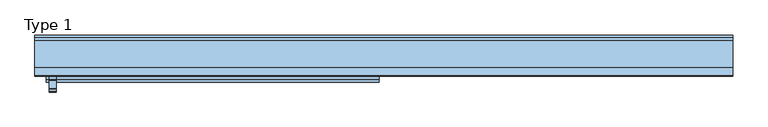
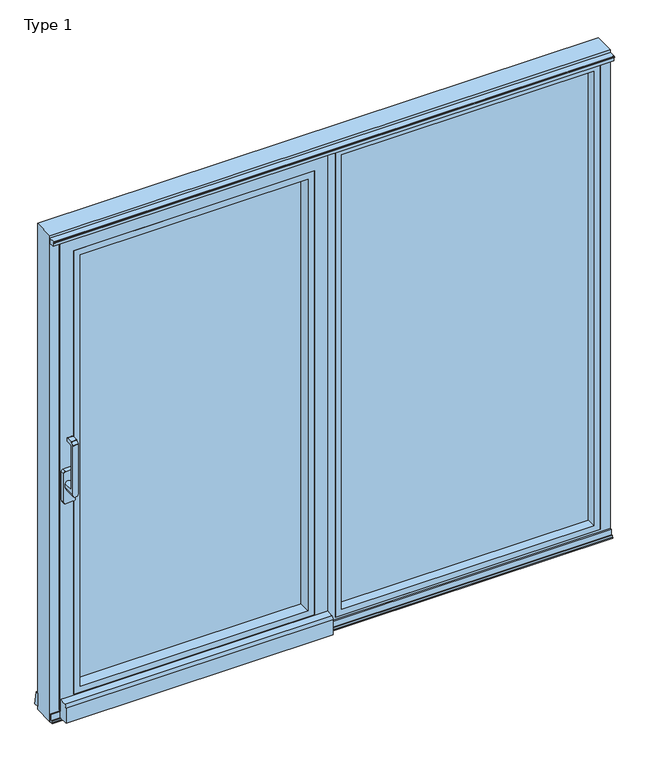
"""IFC4 building model written with IfcOpenShell, lengths in millimetres: window geometry, Type 1."""

from ifc_helpers import new_model, si_unit, point, frame, frame_2d, origin, place, context, project, spatial, polyline, circle_curve, trimmed, segment, composite_curve, outline, extrude, faceted_brep, source, transform, mapped, element, save
from ifc_brep_helpers import plane_surface, cylinder_surface, revolved_surface, advanced_brep


def type_1_799e64b0(model_context):
    return source(origin(), model_context, "Body", "SolidModel", [
        advanced_brep(
        [(-1141.5, -24.481016, 1279.4856576), (-1141.5, -24.481016, 1060.0), (-1117.5, -24.481016, 1060.0), (-1117.5, -24.481016, 1279.4856576), (-1141.5, 31.000412, 1060.0), (-1141.5, 31.000412, 1076.0), (-1117.5, 31.000412, 1076.0), (-1117.5, 31.000412, 1060.0), (-1117.5, -12.481016, 1269.8990577), (-1117.5, -12.481016, 1076.0), (-1141.5, -12.481016, 1076.0), (-1141.5, -12.481016, 1269.8990577), (-1141.5, -5.130356, 1277.2497177), (-1117.5, -5.130356, 1277.2497177), (-1141.5, 15.518984, 1277.2497177), (-1117.5, 15.518984, 1277.2497177), (-1141.5, 17.518984, 1279.2497177), (-1117.5, 17.518984, 1279.2497177), (-1141.5, 17.518984, 1290.2497177), (-1117.5, 17.518984, 1290.2497177), (-1141.5, 15.518984, 1292.2497177), (-1117.5, 15.518984, 1292.2497177), (-1141.5, -11.7169559, 1292.2497177), (-1117.5, -11.7169559, 1292.2497177), (-1141.5, -13.1311695, 1291.6639313), (-1117.5, -13.1311695, 1291.6639313), (-1141.5, -23.8952296, 1280.8998712), (-1117.5, -23.8952296, 1280.8998712)],
        [
            (0, 1),
            (1, 2, circle_curve(frame((-1129.5, -24.481016, 1060.0), z_axis=(0.0, -1.0, 0.0), x_axis=(-1.0000000000000004, 0.0, 0.0)), 12.0)),
            (2, 3),
            (3, 0),
            (4, 5),
            (5, 6, circle_curve(frame((-1129.5, 31.000412, 1076.0), z_axis=(0.0, 1.0, 0.0), x_axis=(-1.0000000000000004, 0.0, 0.0)), 12.0)),
            (6, 7),
            (7, 4, circle_curve(frame((-1129.5, 31.000412, 1060.0), z_axis=(0.0, 1.0, 0.0), x_axis=(-1.0000000000000004, 0.0, 0.0)), 12.0)),
            (7, 2),
            (1, 4),
            (8, 9),
            (9, 10, circle_curve(frame((-1129.5, -12.481016, 1076.0), z_axis=(0.0, -1.0, 0.0), x_axis=(-1.0000000000000004, 0.0, 0.0)), 12.0)),
            (10, 11),
            (11, 8),
            (12, 13),
            (13, 8, circle_curve(frame((-1117.5, -5.130356, 1269.8990577), z_axis=(1.0, 0.0, 0.0), x_axis=(0.0, 0.0, -1.0)), 7.35066)),
            (11, 12, circle_curve(frame((-1141.5, -5.130356, 1269.8990577), z_axis=(-1.0, 0.0, 0.0), x_axis=(0.0, 0.0, -1.0)), 7.35066)),
            (14, 15),
            (15, 13),
            (12, 14),
            (16, 17),
            (17, 15, circle_curve(frame((-1117.5, 15.518984, 1279.2497177), z_axis=(-1.0, 0.0, 0.0), x_axis=(0.0, 0.0, -1.0)), 2.0)),
            (14, 16, circle_curve(frame((-1141.5, 15.518984, 1279.2497177), z_axis=(1.0, 0.0, 0.0), x_axis=(0.0, 0.0, -1.0)), 2.0)),
            (18, 19),
            (19, 17),
            (16, 18),
            (20, 21),
            (21, 19, circle_curve(frame((-1117.5, 15.518984, 1290.2497177), z_axis=(-1.0, 0.0, 0.0), x_axis=(0.0, 0.0, -1.0)), 2.0)),
            (18, 20, circle_curve(frame((-1141.5, 15.518984, 1290.2497177), z_axis=(1.0, 0.0, 0.0), x_axis=(0.0, 0.0, -1.0)), 2.0)),
            (22, 23),
            (23, 21),
            (20, 22),
            (24, 25),
            (25, 23, circle_curve(frame((-1117.5, -11.7169559, 1290.2497177), z_axis=(-1.0, 0.0, 0.0), x_axis=(0.0, 0.0, -1.0)), 2.0)),
            (22, 24, circle_curve(frame((-1141.5, -11.7169559, 1290.2497177), z_axis=(1.0, 0.0, 0.0), x_axis=(0.0, 0.0, -1.0)), 2.0)),
            (26, 27),
            (27, 25),
            (24, 26),
            (3, 27, circle_curve(frame((-1117.5, -22.481016, 1279.4856576), z_axis=(-1.0, 0.0, 0.0), x_axis=(0.0, 0.0, -1.0)), 2.0)),
            (26, 0, circle_curve(frame((-1141.5, -22.481016, 1279.4856576), z_axis=(1.0, 0.0, 0.0), x_axis=(0.0, 0.0, -1.0)), 2.0)),
            (10, 5),
            (9, 6),
        ],
        [
            plane_surface(frame((-1141.5, -24.481016, 1078.0), z_axis=(0.0, -1.0, 0.0), x_axis=(0.0, 0.0, 1.0))),
            plane_surface(frame((-1141.5, 31.000412, 1078.0), z_axis=(0.0, 1.0, 0.0), x_axis=(0.0, 0.0, -1.0))),
            cylinder_surface(frame((-1129.5, 31.000412, 1060.0), z_axis=(0.0, -1.0000000000000004, 0.0), x_axis=(-1.0000000000000004, 0.0, 0.0)), 12.0),
            plane_surface(frame((-1141.5, -12.481016, 1060.0), z_axis=(0.0, 1.0, 0.0), x_axis=(1.0, 0.0, 0.0))),
            revolved_surface(polyline([(-1117.5, -5.130356, 1262.5483977), (-1141.5, -5.130356, 1262.5483977)]), (-1117.5, -5.130356, 1269.8990577), (1.0000000000000004, 0.0, 0.0)),
            plane_surface(frame((-1141.5, -5.130356, 1277.2497177), z_axis=(0.0, 0.0, -1.0), x_axis=(1.0, 0.0, 0.0))),
            cylinder_surface(frame((-1117.5, 15.518984, 1279.2497177), z_axis=(-1.0000000000000004, 0.0, 0.0), x_axis=(0.0, 0.0, -1.0)), 2.0),
            plane_surface(frame((-1141.5, 17.518984, 1279.2497177), z_axis=(0.0, 1.0, 0.0), x_axis=(1.0, 0.0, 0.0))),
            cylinder_surface(frame((-1117.5, 15.518984, 1290.2497177), z_axis=(-1.0000000000000004, 0.0, 0.0), x_axis=(0.0, 0.0, -1.0)), 2.0),
            plane_surface(frame((-1141.5, 15.518984, 1292.2497177), z_axis=(0.0, 0.0, 1.0), x_axis=(1.0, 0.0, 0.0))),
            cylinder_surface(frame((-1117.5, -11.7169559, 1290.2497177), z_axis=(-1.0000000000000004, 0.0, 0.0), x_axis=(0.0, 0.0, -1.0)), 2.0),
            plane_surface(frame((-1141.5, -13.1311695, 1291.6639313), z_axis=(0.0, -0.7071067811865431, 0.7071067811865518), x_axis=(1.0, 0.0, 0.0))),
            cylinder_surface(frame((-1117.5, -22.481016, 1279.4856576), z_axis=(-1.0000000000000004, 0.0, 0.0), x_axis=(0.0, 0.0, -1.0)), 2.0),
            plane_surface(frame((-1141.5, -24.481016, 1060.0), z_axis=(-1.0, 0.0, 0.0), x_axis=(0.0, 1.0, 0.0))),
            cylinder_surface(frame((-1129.5, 31.000412, 1076.0), z_axis=(0.0, -1.0000000000000004, 0.0), x_axis=(-1.0000000000000004, 0.0, 0.0)), 12.0),
            plane_surface(frame((-1117.5, -24.481016, 1076.0), z_axis=(1.0, 0.0, 0.0), x_axis=(0.0, 1.0, 0.0))),
        ],
        [
            (0, [[1, 2, 3, 4]]),
            (1, [[5, 6, 7, 8]]),
            (2, [[-8, 9, -2, 10]]),
            (3, [[11, 12, 13, 14]]),
            (4, [[15, 16, -14, 17]]),
            (5, [[18, 19, -15, 20]]),
            (6, [[21, 22, -18, 23]]),
            (7, [[24, 25, -21, 26]]),
            (8, [[27, 28, -24, 29]]),
            (9, [[30, 31, -27, 32]]),
            (10, [[33, 34, -30, 35]]),
            (11, [[36, 37, -33, 38]]),
            (12, [[-4, 39, -36, 40]]),
            (13, [[-40, -38, -35, -32, -29, -26, -23, -20, -17, -13, 41, -5, -10, -1]]),
            (14, [[-41, -12, 42, -6]]),
            (15, [[-9, -7, -42, -11, -16, -19, -22, -25, -28, -31, -34, -37, -39, -3]]),
        ],
    ),
        extrude(outline(composite_curve([segment(trimmed(circle_curve(frame_2d((1124.8499908, -1140.4500122)), 7.0), [point((1131.8499908, -1140.4500122))], [point((1124.8499908, -1147.4500122))], False, "CARTESIAN"), True, "CONTINUOUS"), segment(polyline([(1124.8499908, -1147.4500122), (995.1500092, -1147.4500122)]), True, "CONTINUOUS"), segment(trimmed(circle_curve(frame_2d((995.1500092, -1140.4500122)), 7.0), [point((995.1500092, -1147.4500122))], [point((988.1500092, -1140.4500122))], False, "CARTESIAN"), True, "CONTINUOUS"), segment(polyline([(988.1500092, -1140.4500122), (988.1500092, -1106.5499878)]), True, "CONTINUOUS"), segment(trimmed(circle_curve(frame_2d((995.1500092, -1106.5499878)), 7.0), [point((988.1500092, -1106.5499878))], [point((995.1500092, -1099.5499878))], False, "CARTESIAN"), True, "CONTINUOUS"), segment(polyline([(995.1500092, -1099.5499878), (1124.8499908, -1099.5499878)]), True, "CONTINUOUS"), segment(trimmed(circle_curve(frame_2d((1124.8499908, -1106.5499878)), 7.0), [point((1124.8499908, -1099.5499878))], [point((1131.8499908, -1106.5499878))], False, "CARTESIAN"), True, "CONTINUOUS"), segment(polyline([(1131.8499908, -1106.5499878), (1131.8499908, -1140.4500122)]), True, "CONTINUOUS")], self_intersect=False)), frame((0.0, 31.000412, 0.0), z_axis=(0.0, 1.0, 0.0), x_axis=(0.0, 0.0, 1.0)), (0.0, 0.0, 1.0), 18.9999542),
        extrude(outline(polyline([(2095.0004272, -72.9995728), (2095.0004272, -1095.0004272), (104.9995728, -1095.0004272), (104.9995728, -72.9995728), (2095.0004272, -72.9995728)]), holes=[polyline([(131.9995728, -99.9995728), (131.9995728, -1068.0004272), (2068.0004272, -1068.0004272), (2068.0004272, -99.9995728), (131.9995728, -99.9995728)])]), frame((0.0, 50.0003662, 0.0), z_axis=(0.0, 1.0, 0.0), x_axis=(0.0, 0.0, 1.0)), (0.0, 0.0, 1.0), 50.9995338),
        extrude(outline(polyline([(-80.999939, 101.0004798), (-1087.000061, 101.0004798), (-1087.000061, 139.0004798), (-80.999939, 139.0004798), (-80.999939, 101.0004798)])), frame((0.0, 0.0, 112.999939), z_axis=(0.0, 0.0, 1.0), x_axis=(1.0, 0.0, 0.0)), (0.0, 0.0, 1.0), 1974.0001221),
        faceted_brep([(-1095.0004272, 101.0004798, 2095.0004272), (-1095.0004272, 50.0003662, 2095.0004272), (-1095.0004272, 50.0003662, 104.9995728), (-1095.0004272, 101.0004798, 104.9995728), (-1151.0004272, 50.0003662, 48.9995728), (-16.9995728, 50.0003662, 48.9995728), (-16.9995728, 50.0003662, 2151.0004272), (-1151.0004272, 50.0003662, 2151.0004272), (-72.9995728, 50.0003662, 2095.0004272), (-72.9995728, 50.0003662, 104.9995728), (-72.9995728, 101.0004798, 104.9995728), (-72.9995728, 101.0004798, 2095.0004272), (-1087.000061, 101.0004798, 2087.000061), (-80.999939, 101.0004798, 2087.000061), (-80.999939, 101.0004798, 112.999939), (-1087.000061, 101.0004798, 112.999939), (-1087.000061, 139.0004798, 2087.000061), (-1087.000061, 139.0004798, 112.999939), (-80.999939, 139.0004798, 112.999939), (-80.999939, 139.0004798, 2087.000061), (-1073.0004272, 139.0004798, 2073.0004272), (-94.9995728, 139.0004798, 2073.0004272), (-94.9995728, 139.0004798, 126.9995728), (-1073.0004272, 139.0004798, 126.9995728), (-1073.0004272, 150.0008469, 2073.0004272), (-1073.0004272, 150.0008469, 126.9995728), (-94.9995728, 150.0008469, 126.9995728), (-1109.001666, 150.0008469, 2109.001666), (-58.998334, 150.0008469, 2109.001666), (-58.998334, 150.0008469, 90.998334), (-1109.001666, 150.0008469, 90.998334), (-94.9995728, 150.0008469, 2073.0004272), (-1109.001666, 145.0008469, 90.998334), (-58.998334, 145.0008469, 90.998334), (-58.998334, 145.0008469, 2109.001666), (-1131.0004272, 145.0008469, 2131.0004272), (-36.9995728, 145.0008469, 2131.0004272), (-36.9995728, 145.0008469, 68.9995728), (-1131.0004272, 145.0008469, 68.9995728), (-1109.001666, 145.0008469, 2109.001666), (-1131.0004272, 60.0, 68.9995728), (-36.9995728, 60.0, 68.9995728), (-36.9995728, 60.0, 2131.0004272), (-1151.0004272, 60.0, 2151.0004272), (-16.9995728, 60.0, 2151.0004272), (-16.9995728, 60.0, 48.9995728), (-1151.0004272, 60.0, 48.9995728), (-1131.0004272, 60.0, 2131.0004272)], [[[0, 1, 2, 3]], [[4, 5, 6, 7], [1, 8, 9, 2]], [[3, 2, 9, 10]], [[3, 10, 11, 0], [12, 13, 14, 15]], [[16, 12, 15, 17]], [[17, 15, 14, 18]], [[17, 18, 19, 16], [20, 21, 22, 23]], [[24, 20, 23, 25]], [[25, 23, 22, 26]], [[27, 28, 29, 30], [25, 26, 31, 24]], [[10, 9, 8, 11]], [[18, 14, 13, 19]], [[26, 22, 21, 31]], [[32, 30, 29, 33]], [[33, 29, 28, 34]], [[35, 36, 37, 38], [32, 33, 34, 39]], [[40, 38, 37, 41]], [[41, 37, 36, 42]], [[43, 44, 45, 46], [40, 41, 42, 47]], [[4, 46, 45, 5]], [[5, 45, 44, 6]], [[11, 8, 1, 0]], [[19, 13, 12, 16]], [[31, 21, 20, 24]], [[34, 28, 27, 39]], [[42, 36, 35, 47]], [[6, 44, 43, 7]], [[39, 27, 30, 32]], [[47, 35, 38, 40]], [[7, 43, 46, 4]]]),
        extrude(outline(composite_curve([segment(polyline([(19.7435257, 99.4362874), (50.0003662, 102.0834169), (50.0003662, 19.2739514), (9.1103627, 19.2739514), (9.1103627, 87.8322266)]), True, "CONTINUOUS"), segment(trimmed(circle_curve(frame_2d((20.7587491, 87.8322266)), 11.6483864), [point((9.1103627, 87.8322266))], [point((19.7435257, 99.4362874))], False, "CARTESIAN"), True, "CONTINUOUS")], self_intersect=False)), frame((-1151.0004272, 0.0, 0.0), z_axis=(1.0, 0.0, 0.0), x_axis=(0.0, 1.0, 0.0)), (0.0, 0.0, 1.0), 1134.0008545),
        extrude(outline(composite_curve([segment(polyline([(60.0, 2178.0006641), (60.0, 2156.1025501), (35.217534, 2156.1025501), (35.217534, 2174.4849831)]), True, "CONTINUOUS"), segment(trimmed(circle_curve(frame_2d((33.1686587, 2174.4849831)), 2.0488753), [point((35.217534, 2174.4849831))], [point((32.1440644, 2176.2592708))], True, "CARTESIAN"), True, "CONTINUOUS"), segment(polyline([(32.1440644, 2176.2592708), (29.6454751, 2174.8164155)]), True, "CONTINUOUS"), segment(trimmed(circle_curve(frame_2d((29.2454173, 2175.5091948)), 0.7999934), [point((29.6454751, 2174.8164155))], [point((28.845455, 2176.2020294))], False, "CARTESIAN"), True, "CONTINUOUS"), segment(polyline([(28.845455, 2176.2020294), (31.3786793, 2177.664419)]), True, "CONTINUOUS"), segment(trimmed(circle_curve(frame_2d((32.633688, 2175.4904304)), 2.5102337), [point((31.3786793, 2177.664419))], [point((32.633688, 2178.0006641))], False, "CARTESIAN"), True, "CONTINUOUS"), segment(polyline([(32.633688, 2178.0006641), (60.0, 2178.0006641)]), True, "CONTINUOUS")], self_intersect=False)), frame((-1190.0, 0.0, 0.0), z_axis=(1.0, 0.0, 0.0), x_axis=(0.0, 1.0, 0.0)), (0.0, 0.0, 1.0), 2380.0),
        extrude(outline(polyline([(159.9992924, 83.9604061), (169.9989353, 23.9604061), (150.0, 23.9604061), (150.0, 83.9604061), (159.9992924, 83.9604061)])), frame((-1190.0, 0.0, 0.0), z_axis=(1.0, 0.0, 0.0), x_axis=(0.0, 1.0, 0.0)), (0.0, 0.0, 1.0), 2380.0),
        extrude(outline(polyline([(43.4998834, 13.0001167), (46.0083235, 13.0001167), (46.0083235, 20.4534802), (50.9735913, 20.4534802), (50.9735913, 13.0001167), (53.7998836, 13.0001167), (53.7998836, 44.0001167), (60.0, 44.0001167), (60.0, 10.0), (43.4998834, 10.0), (43.4998834, 13.0001167)])), frame((-1190.0, 0.0, 0.0), z_axis=(1.0, 0.0, 0.0), x_axis=(0.0, 1.0, 0.0)), (0.0, 0.0, 1.0), 2380.0),
        extrude(outline(polyline([(29.9998575, 100.9991755), (29.9998575, 138.9991755), (1138.0001425, 138.9991755), (1138.0001425, 100.9991755), (29.9998575, 100.9991755)])), frame((0.0, 0.0, 61.9998575), z_axis=(0.0, 0.0, 1.0), x_axis=(1.0, 0.0, 0.0)), (0.0, 0.0, 1.0), 2076.000285),
        extrude(outline(polyline([(53.9999924, 21.9999924), (53.9999924, 1146.0000076), (2146.0000076, 1146.0000076), (2146.0000076, 21.9999924), (53.9999924, 21.9999924)]), holes=[polyline([(80.9999924, 1119.0000076), (80.9999924, 48.9999924), (2119.0000076, 48.9999924), (2119.0000076, 1119.0000076), (80.9999924, 1119.0000076)])]), frame((0.0, 60.0, 0.0), z_axis=(0.0, 1.0, 0.0), x_axis=(0.0, 0.0, 1.0)), (0.0, 0.0, 1.0), 40.9999),
        faceted_brep([(1190.0, 150.0, 10.0), (-1190.0, 150.0, 10.0), (-1190.0, 150.0, 2190.0), (1190.0, 150.0, 2190.0), (-1116.0, 150.0, 84.0), (-51.9956285, 150.0, 84.0), (-51.9956285, 150.0, 2116.0), (-1116.0, 150.0, 2116.0), (1116.0, 150.0, 2116.0), (52.0043715, 150.0, 2116.0), (52.0043715, 150.0, 84.0), (1116.0, 150.0, 84.0), (1116.0, 138.9991755, 2116.0), (1116.0, 138.9991755, 84.0), (52.0, 138.9991755, 84.0), (-1116.0, 145.0004398, 84.0), (-51.9956285, 145.0004398, 84.0), (1190.0, 60.0, 2190.0), (1190.0, 60.0, 10.0), (-1190.0, 60.0, 10.0), (-1190.0, 60.0, 2190.0), (1146.000127, 60.0, 53.999873), (21.9999365, 60.0, 53.999873), (21.9999365, 60.0, 2146.000127), (1146.000127, 60.0, 2146.000127), (-1146.000127, 60.0, 2146.000127), (-21.9999365, 60.0, 2146.000127), (-21.9999365, 60.0, 53.999873), (-1146.000127, 60.0, 53.999873), (-51.9956285, 145.0004398, 2116.0), (-1116.0, 145.0004398, 2116.0), (52.0043715, 138.9991755, 2116.0), (-1146.000127, 145.0004398, 53.999873), (-21.9999365, 145.0004398, 53.999873), (-21.9999365, 145.0004398, 2146.000127), (-1146.000127, 145.0004398, 2146.000127), (1146.000127, 100.9991755, 53.999873), (21.9999365, 100.9991755, 53.999873), (1146.000127, 100.9991755, 2146.000127), (21.9999365, 100.9991755, 2146.000127), (1138.0001425, 138.9991755, 2138.0001425), (29.9998575, 138.9991755, 2138.0001425), (29.9998575, 138.9991755, 61.9998575), (1138.0001425, 138.9991755, 61.9998575), (1138.0001425, 100.9991755, 61.9998575), (29.9998575, 100.9991755, 61.9998575), (29.9998575, 100.9991755, 2138.0001425), (1138.0001425, 100.9991755, 2138.0001425)], [[[0, 1, 2, 3], [4, 5, 6, 7], [8, 9, 10, 11]], [[12, 8, 11, 13]], [[11, 10, 14, 13]], [[15, 16, 5, 4]], [[17, 18, 0, 3]], [[18, 19, 1, 0]], [[17, 20, 19, 18], [21, 22, 23, 24], [25, 26, 27, 28]], [[29, 6, 5, 16]], [[4, 7, 30, 15]], [[31, 14, 10, 9]], [[32, 33, 34, 35], [30, 29, 16, 15]], [[19, 20, 2, 1]], [[28, 32, 35, 25]], [[28, 27, 33, 32]], [[21, 36, 37, 22]], [[26, 34, 33, 27]], [[24, 38, 36, 21]], [[22, 37, 39, 23]], [[3, 2, 20, 17]], [[35, 34, 26, 25]], [[23, 39, 38, 24]], [[7, 6, 29, 30]], [[12, 31, 9, 8]], [[40, 41, 42, 43], [13, 14, 31, 12]], [[38, 39, 37, 36], [44, 45, 46, 47]], [[40, 43, 44, 47]], [[43, 42, 45, 44]], [[42, 41, 46, 45]], [[47, 46, 41, 40]]]),
    ])


if __name__ == "__main__":
    model = new_model("IFC4")
    model_context = context("Model", 3, world=origin())
    ifc_project = project(units=[si_unit("LENGTHUNIT", "METRE", prefix="MILLI")], contexts=[model_context])
    site = spatial("IfcSite", under=ifc_project)
    building = spatial("IfcBuilding", under=site)
    placement = place(None, origin())
    type_1_shape = type_1_799e64b0(model_context)
    element("IfcWindow", 1, ObjectType="Type 1", at=placement, inside=building, context=model_context, shape_type="MappedRepresentation", body=[
        mapped(type_1_shape, transform((0.0, 0.0, 0.0), x_axis=(1.0, 0.0, 0.0), y_axis=(0.0, 1.0, 0.0), z_axis=(0.0, 0.0, 1.0))),
    ])
    save(model, "model.ifc")
